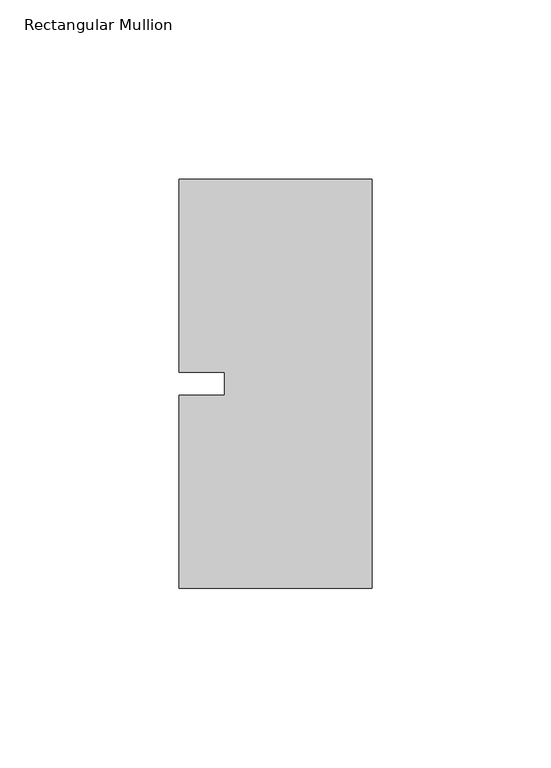
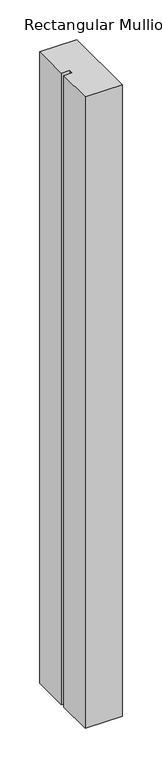
"""IFC4 building model written with IfcOpenShell, lengths in millimetres: member geometry, Rectangular Mullion."""

from ifc_helpers import new_model, si_unit, frame, origin, place, context, project, spatial, polyline, outline, extrude, source, transform, mapped, element, save


def rectangular_mullion_3a9e87ab(model_context):
    return source(origin(), model_context, "Body", "SweptSolid", [
        extrude(outline(polyline([(-53.975, 57.15), (0.0, 57.15), (0.0, -57.15), (-53.975, -57.15), (-53.975, -3.175), (-41.2732296, -3.175), (-41.2732296, 3.175), (-53.975, 3.175), (-53.975, 57.15)])), frame((0.0, 0.0, -971.55), z_axis=(0.0, 0.0, 1.0), x_axis=(1.0, 0.0, 0.0)), (0.0, 0.0, 1.0), 971.55),
    ])


if __name__ == "__main__":
    model = new_model("IFC4")
    model_context = context("Model", 3, world=origin())
    ifc_project = project(units=[si_unit("LENGTHUNIT", "METRE", prefix="MILLI")], contexts=[model_context])
    site = spatial("IfcSite", under=ifc_project)
    building = spatial("IfcBuilding", under=site)
    placement = place(None, origin())
    rectangular_mullion_shape = rectangular_mullion_3a9e87ab(model_context)
    element("IfcMember", 1, ObjectType="Rectangular Mullion", at=placement, inside=building, context=model_context, shape_type="MappedRepresentation", body=[
        mapped(rectangular_mullion_shape, transform((0.0, 0.0, 0.0), x_axis=(1.0, 0.0, 0.0), y_axis=(0.0, 1.0, 0.0), z_axis=(0.0, 0.0, 1.0))),
    ])
    save(model, "model.ifc")
